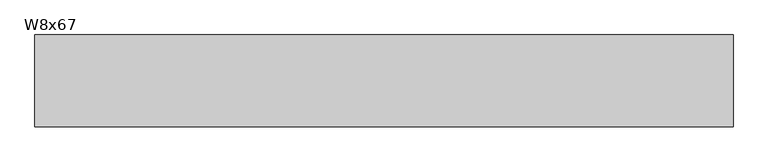
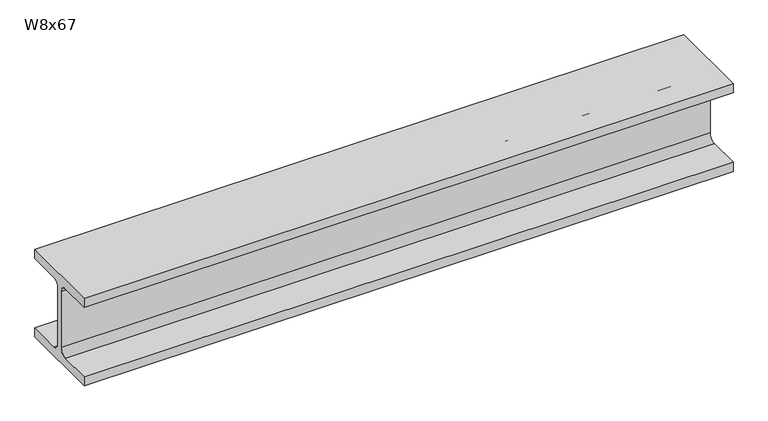
"""IFC4 building model written with IfcOpenShell, lengths in millimetres: beam geometry, W8x67."""

from ifc_helpers import new_model, si_unit, point, frame, frame_2d, origin, place, context, project, spatial, polyline, circle_curve, trimmed, segment, composite_curve, outline, extrude, source, transform, mapped, element, save


def w8x67_4bb133a5(model_context):
    return source(origin(), model_context, "Body", "SweptSolid", [
        extrude(outline(composite_curve([segment(polyline([(105.156, -90.551), (105.156, -114.3), (-105.156, -114.3), (-105.156, -90.551), (-24.765, -90.551)]), True, "CONTINUOUS"), segment(trimmed(circle_curve(frame_2d((-24.765, -73.025)), 17.526), [point((-24.765, -90.551))], [point((-7.239, -73.025))], True, "CARTESIAN"), True, "CONTINUOUS"), segment(polyline([(-7.239, -73.025), (-7.239, 73.025)]), True, "CONTINUOUS"), segment(trimmed(circle_curve(frame_2d((-24.765, 73.025)), 17.526), [point((-7.239, 73.025))], [point((-24.765, 90.551))], True, "CARTESIAN"), True, "CONTINUOUS"), segment(polyline([(-24.765, 90.551), (-105.156, 90.551), (-105.156, 114.3), (105.156, 114.3), (105.156, 90.551), (24.765, 90.551)]), True, "CONTINUOUS"), segment(trimmed(circle_curve(frame_2d((24.765, 73.025)), 17.526), [point((24.765, 90.551))], [point((7.239, 73.025))], True, "CARTESIAN"), True, "CONTINUOUS"), segment(polyline([(7.239, 73.025), (7.239, -73.025)]), True, "CONTINUOUS"), segment(trimmed(circle_curve(frame_2d((24.765, -73.025)), 17.526), [point((7.239, -73.025))], [point((24.765, -90.551))], True, "CARTESIAN"), True, "CONTINUOUS"), segment(polyline([(24.765, -90.551), (105.156, -90.551)]), True, "CONTINUOUS")], self_intersect=False)), frame((-800.1, 0.0, 0.0), z_axis=(1.0, 0.0, 0.0), x_axis=(0.0, 1.0, 0.0)), (0.0, 0.0, 1.0), 1600.2),
    ])


if __name__ == "__main__":
    model = new_model("IFC4")
    model_context = context("Model", 3, world=origin())
    ifc_project = project(units=[si_unit("LENGTHUNIT", "METRE", prefix="MILLI")], contexts=[model_context])
    site = spatial("IfcSite", under=ifc_project)
    building = spatial("IfcBuilding", under=site)
    placement = place(None, origin())
    w8x67_shape = w8x67_4bb133a5(model_context)
    element("IfcBeam", 1, ObjectType="W8x67", at=placement, inside=building, context=model_context, shape_type="MappedRepresentation", body=[
        mapped(w8x67_shape, transform((0.0, 0.0, 0.0), x_axis=(1.0, 0.0, 0.0), y_axis=(0.0, 1.0, 0.0), z_axis=(0.0, 0.0, 1.0))),
    ])
    save(model, "model.ifc")
